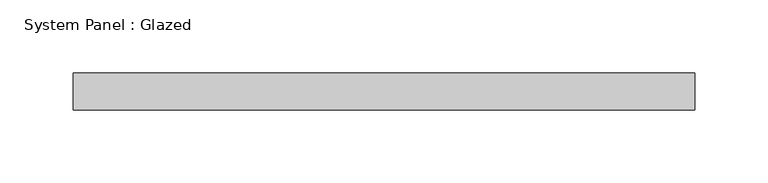
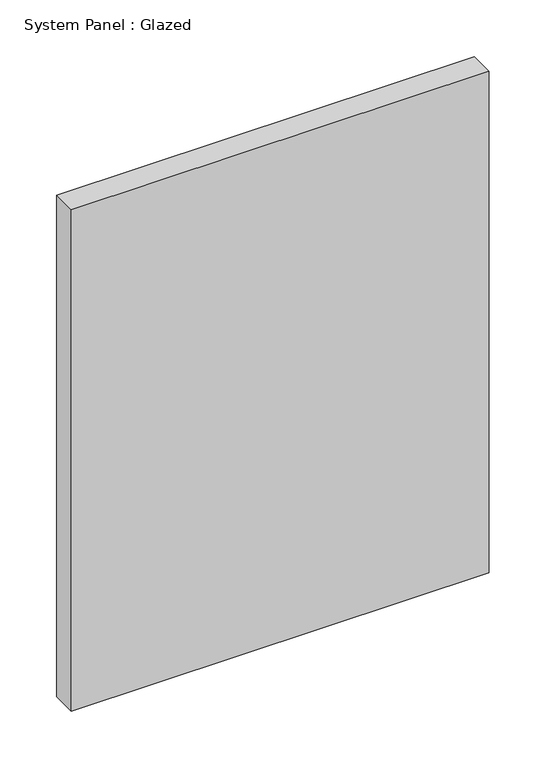
"""IFC4 building model written with IfcOpenShell, lengths in millimetres: plate geometry, System Panel : Glazed."""

from ifc_helpers import new_model, si_unit, origin, origin_with_axes, place, context, project, spatial, polyline, outline, extrude, source, transform, mapped, element, save


def system_panel_glazed_5038c96d(model_context):
    return source(origin(), model_context, "Body", "SweptSolid", [
        extrude(outline(polyline([(212.725, -12.7), (-212.725, -12.7), (-212.725, 12.7), (212.725, 12.7), (212.725, -12.7)])), origin_with_axes(), (0.0, 0.0, 1.0), 539.75),
    ])


if __name__ == "__main__":
    model = new_model("IFC4")
    model_context = context("Model", 3, world=origin())
    ifc_project = project(units=[si_unit("LENGTHUNIT", "METRE", prefix="MILLI")], contexts=[model_context])
    site = spatial("IfcSite", under=ifc_project)
    building = spatial("IfcBuilding", under=site)
    placement = place(None, origin())
    system_panel_glazed_shape = system_panel_glazed_5038c96d(model_context)
    element("IfcPlate", 1, ObjectType="System Panel : Glazed", at=placement, inside=building, context=model_context, shape_type="MappedRepresentation", body=[
        mapped(system_panel_glazed_shape, transform((0.0, 0.0, 0.0), x_axis=(1.0, 0.0, 0.0), y_axis=(0.0, 1.0, 0.0), z_axis=(0.0, 0.0, 1.0))),
    ])
    save(model, "model.ifc")
